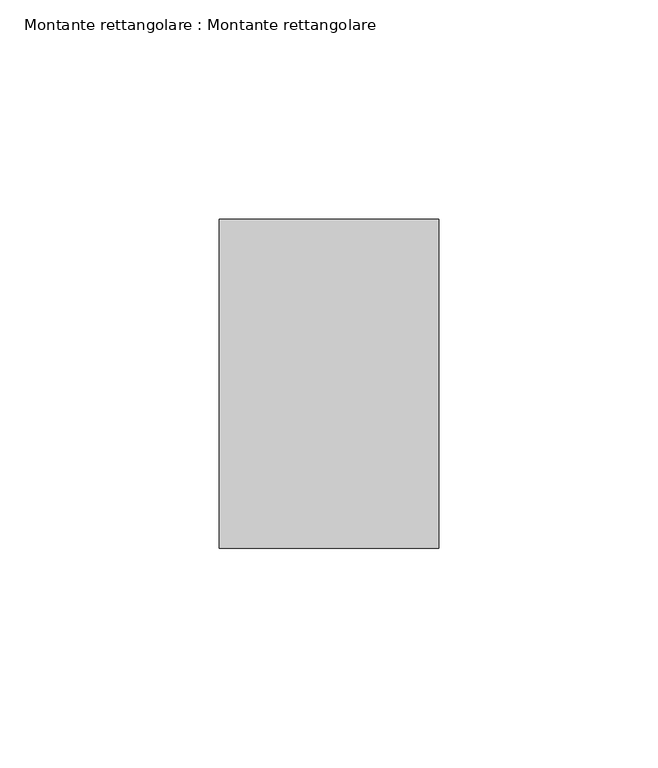
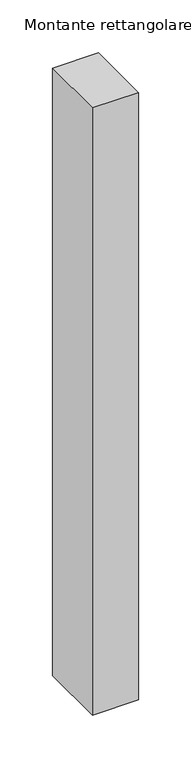
"""IFC4 building model written with IfcOpenShell, lengths in millimetres: member geometry, Montante rettangolare : Montante rettangolare."""

from ifc_helpers import new_model, si_unit, frame, origin, place, context, project, spatial, polyline, outline, extrude, source, transform, mapped, element, save


def montante_rettangolare_montante_rettangolare_e115fddd(model_context):
    return source(origin(), model_context, "Body", "SweptSolid", [
        extrude(outline(polyline([(-37.5, -0.1586463), (37.5, 0.1582001), (37.5, -700.0000917), (-37.5, -700.0000917), (-37.5, -0.1586463)])), frame((-50.0, 0.0, 0.0), z_axis=(1.0, 0.0, 0.0), x_axis=(0.0, 1.0, 0.0)), (0.0, 0.0, 1.0), 50.0),
    ])


if __name__ == "__main__":
    model = new_model("IFC4")
    model_context = context("Model", 3, world=origin())
    ifc_project = project(units=[si_unit("LENGTHUNIT", "METRE", prefix="MILLI")], contexts=[model_context])
    site = spatial("IfcSite", under=ifc_project)
    building = spatial("IfcBuilding", under=site)
    placement = place(None, origin())
    montante_rettangolare_montante_rettangolare_shape = montante_rettangolare_montante_rettangolare_e115fddd(model_context)
    element("IfcMember", 1, ObjectType="Montante rettangolare : Montante rettangolare", at=placement, inside=building, context=model_context, shape_type="MappedRepresentation", body=[
        mapped(montante_rettangolare_montante_rettangolare_shape, transform((0.0, 0.0, 0.0), x_axis=(1.0, 0.0, 0.0), y_axis=(0.0, 1.0, 0.0), z_axis=(0.0, 0.0, 1.0))),
    ])
    save(model, "model.ifc")
